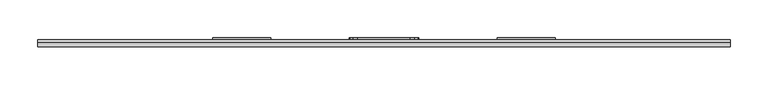
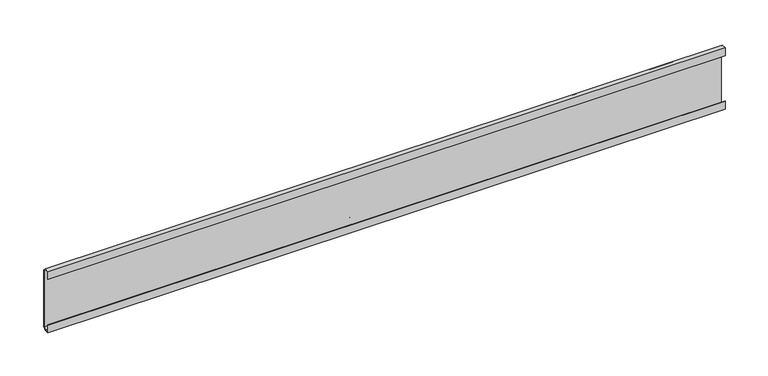
"""IFC4 building model written with IfcOpenShell, lengths in millimetres: furniture geometry."""

from ifc_helpers import new_model, si_unit, frame, origin, place, context, project, spatial, polyline, outline, extrude, source, transform, mapped, element, save


def furniture_5f3cadf1(model_context):
    return source(origin(), model_context, "Body", "SweptSolid", [
        extrude(outline(polyline([(29.5671875, 104.2233438), (35.9171874, 104.2233438), (39.0921875, 101.0285018), (39.0921875, 20.3835004), (35.917184, 17.2085), (29.5671875, 17.2085), (29.5671875, 28.0035022), (30.3609375, 28.0035022), (30.3609375, 18.0022534), (35.9171874, 18.0022534), (38.2984375, 20.3835035), (38.2984375, 101.0284987), (35.9171874, 103.4295938), (30.3609375, 103.4295938), (30.3609375, 93.4085), (29.5671875, 93.4085), (29.5671875, 104.2233438)])), frame((-456.009375, 0.0, 0.0), z_axis=(1.0, 0.0, 0.0), x_axis=(0.0, 1.0, 0.0)), (0.0, 0.0, 1.0), 912.01875),
        extrude(outline(polyline([(79.1082979, -45.7707891), (36.5379017, -45.7707891), (30.9753029, -44.2802914), (26.903195, -40.2081925), (25.4127019, -34.645596), (25.4127019, 34.645596), (26.903195, 40.2081925), (30.9753029, 44.2802914), (36.5379017, 45.7707891), (79.1082979, 45.7707891), (84.6709035, 44.2802914), (88.7430114, 40.2081925), (90.2335, 34.645596), (90.2335, -34.645596), (88.7430114, -40.2081925), (84.6709035, -44.2802914), (79.1082979, -45.7707891)])), frame((0.0, 39.0921875, 0.0), z_axis=(0.0, 1.0, 0.0), x_axis=(0.0, 0.0, 1.0)), (0.0, 0.0, 1.0), 2.309816),
        extrude(outline(polyline([(-149.5226562, 39.0921875), (-225.7226562, 39.0921875), (-225.7226562, 41.4020035), (-149.5226562, 41.4020035), (-149.5226562, 39.0921875)])), frame((0.0, 0.0, 35.433), z_axis=(0.0, 0.0, 1.0), x_axis=(1.0, 0.0, 0.0)), (0.0, 0.0, 1.0), 48.26),
        extrude(outline(polyline([(225.7226563, 39.0921875), (149.5226563, 39.0921875), (149.5226563, 41.4020035), (225.7226563, 41.4020035), (225.7226563, 39.0921875)])), frame((0.0, 0.0, 35.433), z_axis=(0.0, 0.0, 1.0), x_axis=(1.0, 0.0, 0.0)), (0.0, 0.0, 1.0), 48.26),
    ])


if __name__ == "__main__":
    model = new_model("IFC4")
    model_context = context("Model", 3, world=origin())
    ifc_project = project(units=[si_unit("LENGTHUNIT", "METRE", prefix="MILLI")], contexts=[model_context])
    site = spatial("IfcSite", under=ifc_project)
    building = spatial("IfcBuilding", under=site)
    placement = place(None, origin())
    furniture_shape = furniture_5f3cadf1(model_context)
    element("IfcFurniture", 1, at=placement, inside=building, context=model_context, shape_type="MappedRepresentation", body=[
        mapped(furniture_shape, transform((0.0, 0.0, 0.0), x_axis=(1.0, 0.0, 0.0), y_axis=(0.0, 1.0, 0.0), z_axis=(0.0, 0.0, 1.0))),
    ])
    save(model, "model.ifc")
